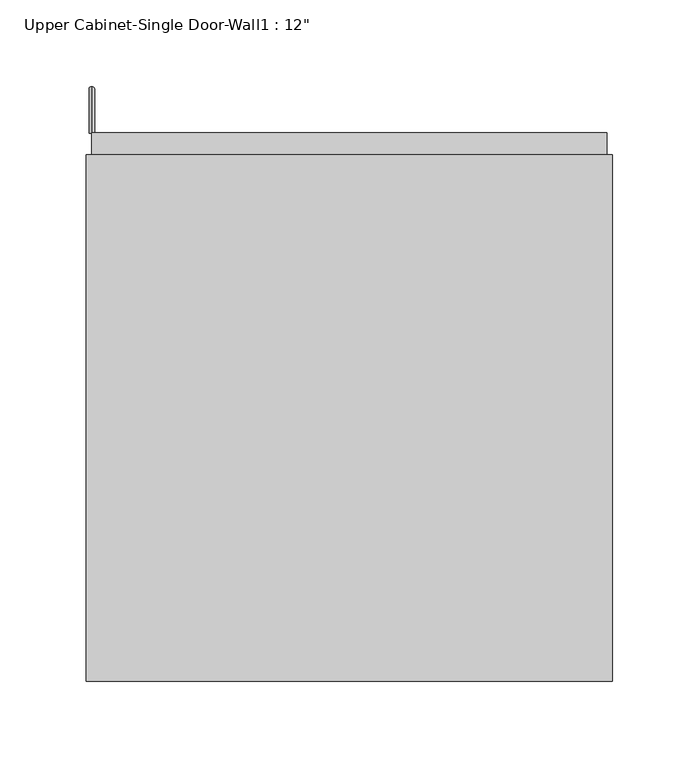
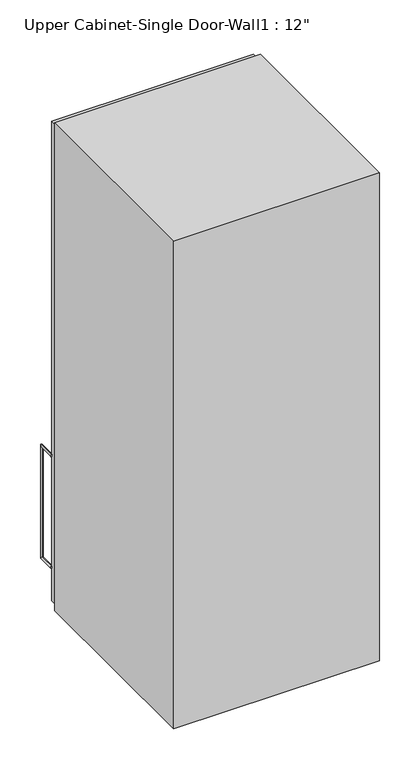
"""IFC4 building model written with IfcOpenShell, lengths in millimetres: furniture geometry."""

from ifc_helpers import new_model, si_unit, frame, origin, place, context, project, spatial, polyline, circle_curve, ellipse_curve, outline, extrude, faceted_brep, source, transform, mapped, element, save
from ifc_brep_helpers import plane_surface, cylinder_surface, advanced_brep


def furniture_d79fb8b3(model_context):
    return source(origin(), model_context, "Body", "SolidModel", [
        advanced_brep(
        [(-119.4538372, 379.4125, 1431.925), (-119.4538372, 379.4125, 1428.75), (-119.4538372, 403.225, 1431.925), (-119.4538372, 406.4, 1428.75), (-119.4538372, 403.225, 1603.375), (-119.4538372, 406.4, 1606.55), (-119.4538372, 379.4125, 1603.375), (-119.4538372, 379.4125, 1606.55)],
        [
            (0, 1, circle_curve(frame((-119.4538372, 379.4125, 1430.3375), z_axis=(0.0, -1.0, 0.0), x_axis=(0.0, 0.0, -1.0)), 1.5875)),
            (1, 0, circle_curve(frame((-119.4538372, 379.4125, 1430.3375), z_axis=(0.0, -1.0, 0.0), x_axis=(0.0, 0.0, -1.0)), 1.5875)),
            (0, 2),
            (2, 3, ellipse_curve(frame((-119.4538372, 404.8125, 1430.3375), z_axis=(0.0, -0.7071067811865498, -0.7071067811865454), x_axis=(0.0, -0.7071067811865451, 0.7071067811865498)), 2.245064, 1.5875)),
            (3, 1),
            (3, 2, ellipse_curve(frame((-119.4538372, 404.8125, 1430.3375), z_axis=(0.0, -0.7071067811865498, -0.7071067811865454), x_axis=(0.0, -0.7071067811865451, 0.7071067811865498)), 2.245064, 1.5875)),
            (2, 4),
            (4, 5, ellipse_curve(frame((-119.4538372, 404.8125, 1604.9625), z_axis=(0.0, 0.7071067811865452, -0.7071067811865497), x_axis=(0.0, -0.7071067811865496, -0.7071067811865455)), 2.245064, 1.5875)),
            (5, 3),
            (5, 4, ellipse_curve(frame((-119.4538372, 404.8125, 1604.9625), z_axis=(0.0, 0.7071067811865452, -0.7071067811865497), x_axis=(0.0, -0.7071067811865496, -0.7071067811865455)), 2.245064, 1.5875)),
            (6, 7, circle_curve(frame((-119.4538372, 379.4125, 1604.9625), z_axis=(0.0, -1.0, 0.0), x_axis=(0.0, 0.0, 1.0)), 1.5875)),
            (7, 6, circle_curve(frame((-119.4538372, 379.4125, 1604.9625), z_axis=(0.0, -1.0, 0.0), x_axis=(0.0, 0.0, 1.0)), 1.5875)),
            (4, 6),
            (7, 5),
        ],
        [
            plane_surface(frame((-119.4538372, 379.4125, 1430.3375), z_axis=(0.0, -1.0, 0.0), x_axis=(-1.0, 0.0, 0.0))),
            cylinder_surface(frame((-119.4538372, 379.4125, 1430.3375), z_axis=(0.0, -1.0, 0.0), x_axis=(0.0, 0.0, -1.0)), 1.5875),
            cylinder_surface(frame((-119.4538372, 404.8125, 1430.3375), z_axis=(0.0, 0.0, -1.0), x_axis=(0.0, 1.0, 0.0)), 1.5875),
            plane_surface(frame((-119.4538372, 379.4125, 1604.9625), z_axis=(0.0, -1.0, 0.0), x_axis=(-1.0, 0.0, 0.0))),
            cylinder_surface(frame((-119.4538372, 404.8125, 1604.9625), z_axis=(0.0, 1.0, 0.0), x_axis=(0.0, 0.0, 1.0)), 1.5875),
        ],
        [
            (0, [[1, 2]]),
            (1, [[-1, 3, 4, 5]]),
            (1, [[-2, -5, 6, -3]]),
            (2, [[-4, 7, 8, 9]]),
            (2, [[-6, -9, 10, -7]]),
            (3, [[11, 12]]),
            (4, [[-8, 13, -12, 14]]),
            (4, [[-10, -14, -11, -13]]),
        ],
    ),
        faceted_brep([(-122.6288372, 61.9125, 2133.6), (-122.6288372, 61.9125, 1371.6), (182.1711628, 61.9125, 1371.6), (182.1711628, 61.9125, 2133.6), (-122.6288372, 366.7125, 2133.6), (182.1711628, 366.7125, 2133.6), (182.1711628, 366.7125, 1371.6), (-122.6288372, 366.7125, 1371.6), (-103.5788372, 366.7125, 2114.55), (-103.5788372, 366.7125, 1390.65), (163.1211628, 366.7125, 1390.65), (163.1211628, 366.7125, 2114.55), (163.1211628, 80.9625, 2114.55), (-103.5788372, 80.9625, 2114.55), (163.1211628, 80.9625, 1390.65), (-103.5788372, 80.9625, 1390.65)], [[[0, 1, 2, 3]], [[4, 5, 6, 7], [8, 9, 10, 11]], [[1, 0, 4, 7]], [[2, 1, 7, 6]], [[3, 2, 6, 5]], [[0, 3, 5, 4]], [[8, 11, 12, 13]], [[11, 10, 14, 12]], [[10, 9, 15, 14]], [[9, 8, 13, 15]], [[13, 12, 14, 15]]]),
        extrude(outline(polyline([(-119.4538372, 379.4125), (178.9961628, 379.4125), (178.9961628, 347.6625), (-119.4538372, 347.6625), (-119.4538372, 379.4125)])), frame((0.0, 0.0, 1377.95), z_axis=(0.0, 0.0, 1.0), x_axis=(1.0, 0.0, 0.0)), (0.0, 0.0, 1.0), 749.3),
    ])


if __name__ == "__main__":
    model = new_model("IFC4")
    model_context = context("Model", 3, world=origin())
    ifc_project = project(units=[si_unit("LENGTHUNIT", "METRE", prefix="MILLI")], contexts=[model_context])
    site = spatial("IfcSite", under=ifc_project)
    building = spatial("IfcBuilding", under=site)
    placement = place(None, origin())
    furniture_shape = furniture_d79fb8b3(model_context)
    element("IfcFurniture", 1, ObjectType="Upper Cabinet-Single Door-Wall1 : 12\"", at=placement, inside=building, context=model_context, shape_type="MappedRepresentation", body=[
        mapped(furniture_shape, transform((0.0, 0.0, 0.0), x_axis=(1.0, 0.0, 0.0), y_axis=(0.0, 1.0, 0.0), z_axis=(0.0, 0.0, 1.0))),
    ])
    save(model, "model.ifc")
